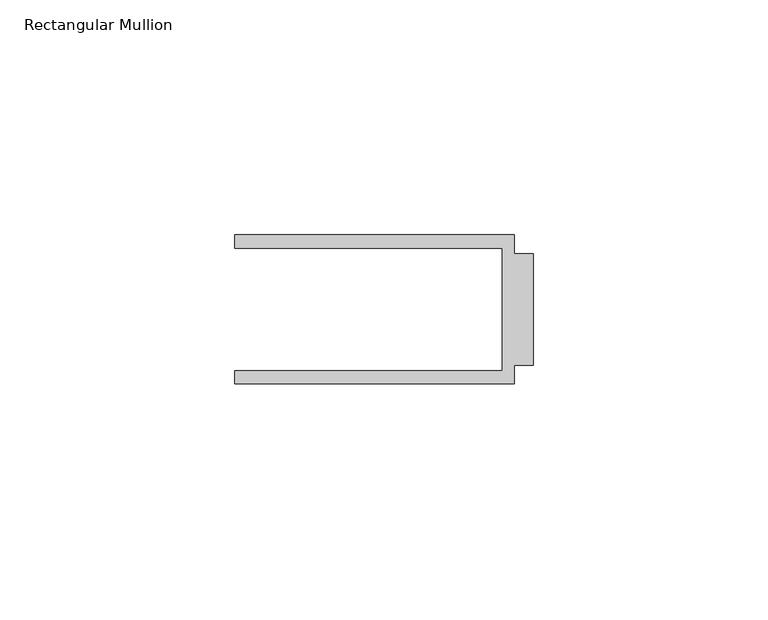
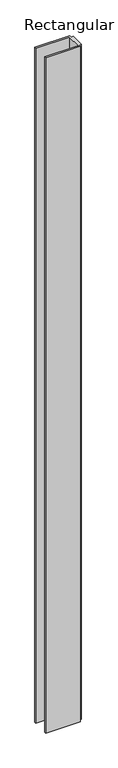
"""IFC4 building model written with IfcOpenShell, lengths in millimetres: member geometry, Rectangular Mullion."""

from ifc_helpers import new_model, si_unit, frame, origin, place, context, project, spatial, polyline, outline, extrude, source, transform, mapped, element, save


def rectangular_mullion_b879d58f(model_context):
    return source(origin(), model_context, "Body", "SweptSolid", [
        extrude(outline(polyline([(-4.0000001, 15.875), (-4.0000001, 11.8750013), (0.0, 11.8750013), (0.0, -11.8750013), (-4.0000001, -11.8750013), (-4.0000001, -15.875), (-63.5, -15.875), (-63.5, -13.0750013), (-6.6000002, -13.0750013), (-6.6000002, 13.0750013), (-63.5, 13.0750013), (-63.5, 15.875), (-4.0000001, 15.875)])), frame((0.0, 0.0, -1219.2), z_axis=(0.0, 0.0, 1.0), x_axis=(1.0, 0.0, 0.0)), (0.0, 0.0, 1.0), 1219.2),
    ])


if __name__ == "__main__":
    model = new_model("IFC4")
    model_context = context("Model", 3, world=origin())
    ifc_project = project(units=[si_unit("LENGTHUNIT", "METRE", prefix="MILLI")], contexts=[model_context])
    site = spatial("IfcSite", under=ifc_project)
    building = spatial("IfcBuilding", under=site)
    placement = place(None, origin())
    rectangular_mullion_shape = rectangular_mullion_b879d58f(model_context)
    element("IfcMember", 1, ObjectType="Rectangular Mullion", at=placement, inside=building, context=model_context, shape_type="MappedRepresentation", body=[
        mapped(rectangular_mullion_shape, transform((0.0, 0.0, 0.0), x_axis=(1.0, 0.0, 0.0), y_axis=(0.0, 1.0, 0.0), z_axis=(0.0, 0.0, 1.0))),
    ])
    save(model, "model.ifc")
